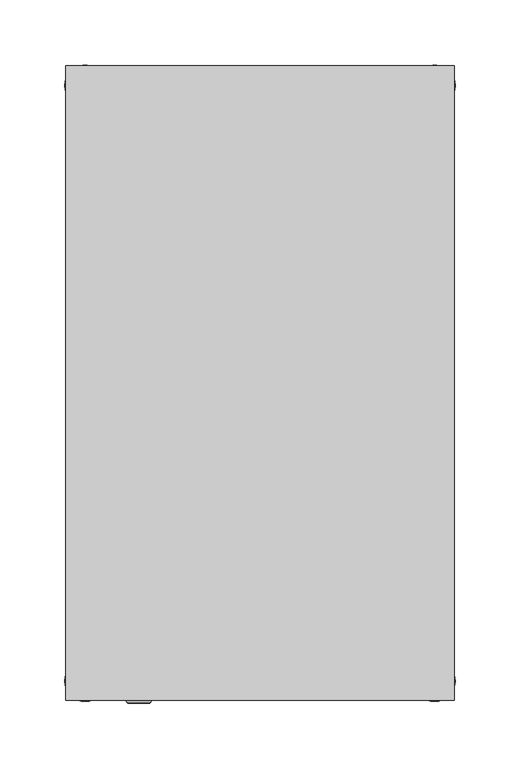
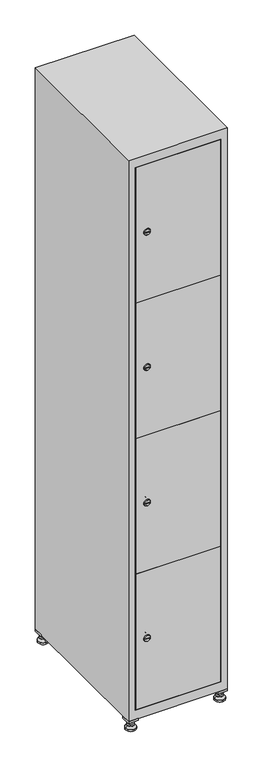
"""IFC4 building model written with IfcOpenShell, lengths in millimetres: furniture geometry."""

from ifc_helpers import new_model, si_unit, point, frame, frame_2d, origin, origin_with_axes, place, context, project, spatial, polyline, circle_curve, trimmed, segment, composite_curve, outline, extrude, faceted_brep, source, transform, mapped, element, save
from ifc_brep_helpers import plane_surface, revolved_surface, advanced_brep


def furniture_e6b07f04(model_context):
    return source(origin(), model_context, "Body", "SolidModel", [
        extrude(outline(polyline([(100.0, 245.0), (100.0, 215.0), (70.0, 215.0), (70.0, 245.0), (100.0, 245.0)]), holes=[polyline([(98.0, 243.0), (72.0, 243.0), (72.0, 217.0), (98.0, 217.0), (98.0, 243.0)])]), frame((0.0, 0.0, 28.5), z_axis=(0.0, 0.0, 1.0), x_axis=(1.0, 0.0, 0.0)), (0.0, 0.0, 1.0), 6.5),
        extrude(outline(polyline([(70.0, -245.0), (70.0, -215.0), (100.0, -215.0), (100.0, -245.0), (70.0, -245.0)]), holes=[polyline([(72.0, -243.0), (98.0, -243.0), (98.0, -217.0), (72.0, -217.0), (72.0, -243.0)])]), frame((0.0, 0.0, 28.5), z_axis=(0.0, 0.0, 1.0), x_axis=(1.0, 0.0, 0.0)), (0.0, 0.0, 1.0), 6.5),
        extrude(outline(polyline([(-170.0, 245.0), (-170.0, 215.0), (-200.0, 215.0), (-200.0, 245.0), (-170.0, 245.0)]), holes=[polyline([(-172.0, 243.0), (-198.0, 243.0), (-198.0, 217.0), (-172.0, 217.0), (-172.0, 243.0)])]), frame((0.0, 0.0, 28.5), z_axis=(0.0, 0.0, 1.0), x_axis=(1.0, 0.0, 0.0)), (0.0, 0.0, 1.0), 6.5),
        extrude(outline(polyline([(-170.0, -215.0), (-170.0, -245.0), (-200.0, -245.0), (-200.0, -215.0), (-170.0, -215.0)]), holes=[polyline([(-198.0, -243.0), (-172.0, -243.0), (-172.0, -217.0), (-198.0, -217.0), (-198.0, -243.0)])]), frame((0.0, 0.0, 28.5), z_axis=(0.0, 0.0, 1.0), x_axis=(1.0, 0.0, 0.0)), (0.0, 0.0, 1.0), 6.5),
        extrude(outline(composite_curve([segment(trimmed(circle_curve(frame_2d((-185.0, 230.0)), 5.0), [point((-180.0, 230.0))], [point((-190.0, 230.0))], False, "CARTESIAN"), True, "CONTINUOUS"), segment(trimmed(circle_curve(frame_2d((-185.0, 230.0)), 5.0), [point((-190.0, 230.0))], [point((-180.0, 230.0))], False, "CARTESIAN"), True, "CONTINUOUS")], self_intersect=False)), frame((0.0, 0.0, 19.6), z_axis=(0.0, 0.0, 1.0), x_axis=(1.0, 0.0, 0.0)), (0.0, 0.0, 1.0), 15.4),
        extrude(outline(composite_curve([segment(trimmed(circle_curve(frame_2d((-185.0, -230.0)), 5.0), [point((-180.0, -230.0))], [point((-190.0, -230.0))], False, "CARTESIAN"), True, "CONTINUOUS"), segment(trimmed(circle_curve(frame_2d((-185.0, -230.0)), 5.0), [point((-190.0, -230.0))], [point((-180.0, -230.0))], False, "CARTESIAN"), True, "CONTINUOUS")], self_intersect=False)), frame((0.0, 0.0, 19.6), z_axis=(0.0, 0.0, 1.0), x_axis=(1.0, 0.0, 0.0)), (0.0, 0.0, 1.0), 15.4),
        extrude(outline(composite_curve([segment(trimmed(circle_curve(frame_2d((85.0, 230.0)), 5.0), [point((90.0, 230.0))], [point((80.0, 230.0))], False, "CARTESIAN"), True, "CONTINUOUS"), segment(trimmed(circle_curve(frame_2d((85.0, 230.0)), 5.0), [point((80.0, 230.0))], [point((90.0, 230.0))], False, "CARTESIAN"), True, "CONTINUOUS")], self_intersect=False)), frame((0.0, 0.0, 19.6), z_axis=(0.0, 0.0, 1.0), x_axis=(1.0, 0.0, 0.0)), (0.0, 0.0, 1.0), 15.4),
        extrude(outline(polyline([(73.4529946, 230.0), (79.2264973, 240.0), (90.7735027, 240.0), (96.5470054, 230.0), (90.7735027, 220.0), (79.2264973, 220.0), (73.4529946, 230.0)])), frame((0.0, 0.0, 13.6), z_axis=(0.0, 0.0, 1.0), x_axis=(1.0, 0.0, 0.0)), (0.0, 0.0, 1.0), 6.0),
        extrude(outline(composite_curve([segment(trimmed(circle_curve(frame_2d((85.0, -230.0)), 5.0), [point((90.0, -230.0))], [point((80.0, -230.0))], False, "CARTESIAN"), True, "CONTINUOUS"), segment(trimmed(circle_curve(frame_2d((85.0, -230.0)), 5.0), [point((80.0, -230.0))], [point((90.0, -230.0))], False, "CARTESIAN"), True, "CONTINUOUS")], self_intersect=False)), frame((0.0, 0.0, 19.6), z_axis=(0.0, 0.0, 1.0), x_axis=(1.0, 0.0, 0.0)), (0.0, 0.0, 1.0), 15.4),
        extrude(outline(polyline([(73.4529946, -230.0), (79.2264973, -220.0), (90.7735027, -220.0), (96.5470054, -230.0), (90.7735027, -240.0), (79.2264973, -240.0), (73.4529946, -230.0)])), frame((0.0, 0.0, 13.6), z_axis=(0.0, 0.0, 1.0), x_axis=(1.0, 0.0, 0.0)), (0.0, 0.0, 1.0), 6.0),
        extrude(outline(composite_curve([segment(trimmed(circle_curve(frame_2d((85.0, 230.0)), 5.0), [point((90.0, 230.0))], [point((80.0, 230.0))], False, "CARTESIAN"), True, "CONTINUOUS"), segment(trimmed(circle_curve(frame_2d((85.0, 230.0)), 5.0), [point((80.0, 230.0))], [point((90.0, 230.0))], False, "CARTESIAN"), True, "CONTINUOUS")], self_intersect=False)), frame((0.0, 0.0, 12.1), z_axis=(0.0, 0.0, 1.0), x_axis=(1.0, 0.0, 0.0)), (0.0, 0.0, 1.0), 1.5),
        extrude(outline(composite_curve([segment(trimmed(circle_curve(frame_2d((85.0, -230.0)), 5.0), [point((90.0, -230.0))], [point((80.0, -230.0))], False, "CARTESIAN"), True, "CONTINUOUS"), segment(trimmed(circle_curve(frame_2d((85.0, -230.0)), 5.0), [point((80.0, -230.0))], [point((90.0, -230.0))], False, "CARTESIAN"), True, "CONTINUOUS")], self_intersect=False)), frame((0.0, 0.0, 12.1), z_axis=(0.0, 0.0, 1.0), x_axis=(1.0, 0.0, 0.0)), (0.0, 0.0, 1.0), 1.5),
        extrude(outline(polyline([(-196.5470054, 230.0), (-190.7735027, 240.0), (-179.2264973, 240.0), (-173.4529946, 230.0), (-179.2264973, 220.0), (-190.7735027, 220.0), (-196.5470054, 230.0)])), frame((0.0, 0.0, 13.6), z_axis=(0.0, 0.0, 1.0), x_axis=(1.0, 0.0, 0.0)), (0.0, 0.0, 1.0), 6.0),
        extrude(outline(polyline([(-196.5470054, -230.0), (-190.7735027, -220.0), (-179.2264973, -220.0), (-173.4529946, -230.0), (-179.2264973, -240.0), (-190.7735027, -240.0), (-196.5470054, -230.0)])), frame((0.0, 0.0, 13.6), z_axis=(0.0, 0.0, 1.0), x_axis=(1.0, 0.0, 0.0)), (0.0, 0.0, 1.0), 6.0),
        extrude(outline(composite_curve([segment(trimmed(circle_curve(frame_2d((-185.0, 230.0)), 5.0), [point((-185.0, 235.0))], [point((-185.0, 225.0))], False, "CARTESIAN"), True, "CONTINUOUS"), segment(trimmed(circle_curve(frame_2d((-185.0, 230.0)), 5.0), [point((-185.0, 225.0))], [point((-185.0, 235.0))], False, "CARTESIAN"), True, "CONTINUOUS")], self_intersect=False)), frame((0.0, 0.0, 12.1), z_axis=(0.0, 0.0, 1.0), x_axis=(1.0, 0.0, 0.0)), (0.0, 0.0, 1.0), 1.5),
        extrude(outline(composite_curve([segment(trimmed(circle_curve(frame_2d((-185.0, -230.0)), 5.0), [point((-180.0, -230.0))], [point((-190.0, -230.0))], False, "CARTESIAN"), True, "CONTINUOUS"), segment(trimmed(circle_curve(frame_2d((-185.0, -230.0)), 5.0), [point((-190.0, -230.0))], [point((-180.0, -230.0))], False, "CARTESIAN"), True, "CONTINUOUS")], self_intersect=False)), frame((0.0, 0.0, 12.1), z_axis=(0.0, 0.0, 1.0), x_axis=(1.0, 0.0, 0.0)), (0.0, 0.0, 1.0), 1.5),
        extrude(outline(composite_curve([segment(trimmed(circle_curve(frame_2d((85.0, 230.0)), 15.75), [point((100.75, 230.0))], [point((69.25, 230.0))], False, "CARTESIAN"), True, "CONTINUOUS"), segment(trimmed(circle_curve(frame_2d((85.0, 230.0)), 15.75), [point((69.25, 230.0))], [point((100.75, 230.0))], False, "CARTESIAN"), True, "CONTINUOUS")], self_intersect=False)), origin_with_axes(), (0.0, 0.0, 1.0), 5.1),
        extrude(outline(composite_curve([segment(trimmed(circle_curve(frame_2d((85.0, -230.0)), 15.75), [point((85.0, -214.25))], [point((85.0, -245.75))], False, "CARTESIAN"), True, "CONTINUOUS"), segment(trimmed(circle_curve(frame_2d((85.0, -230.0)), 15.75), [point((85.0, -245.75))], [point((85.0, -214.25))], False, "CARTESIAN"), True, "CONTINUOUS")], self_intersect=False)), origin_with_axes(), (0.0, 0.0, 1.0), 5.1),
        extrude(outline(composite_curve([segment(trimmed(circle_curve(frame_2d((-185.0, -230.0)), 15.75), [point((-169.25, -230.0))], [point((-200.75, -230.0))], False, "CARTESIAN"), True, "CONTINUOUS"), segment(trimmed(circle_curve(frame_2d((-185.0, -230.0)), 15.75), [point((-200.75, -230.0))], [point((-169.25, -230.0))], False, "CARTESIAN"), True, "CONTINUOUS")], self_intersect=False)), origin_with_axes(), (0.0, 0.0, 1.0), 5.1),
        extrude(outline(composite_curve([segment(trimmed(circle_curve(frame_2d((-185.0, 230.0)), 15.75), [point((-169.25, 230.0))], [point((-200.75, 230.0))], False, "CARTESIAN"), True, "CONTINUOUS"), segment(trimmed(circle_curve(frame_2d((-185.0, 230.0)), 15.75), [point((-200.75, 230.0))], [point((-169.25, 230.0))], False, "CARTESIAN"), True, "CONTINUOUS")], self_intersect=False)), origin_with_axes(), (0.0, 0.0, 1.0), 5.1),
        advanced_brep(
        [(-185.0, 245.75, 5.1), (-185.0, 214.25, 5.1), (-185.0, 239.5, 12.1), (-185.0, 220.5, 12.1)],
        [
            (0, 1, circle_curve(frame((-185.0, 230.0, 5.1), z_axis=(0.0, 0.0, -1.0), x_axis=(0.0, 1.0, 0.0)), 15.75)),
            (1, 0, circle_curve(frame((-185.0, 230.0, 5.1), z_axis=(0.0, 0.0, -1.0), x_axis=(0.0, -1.0, 0.0)), 15.75)),
            (2, 3, circle_curve(frame((-185.0, 230.0, 12.1), z_axis=(0.0, 0.0, 1.0), x_axis=(0.0, -1.0, 0.0)), 9.5)),
            (3, 2, circle_curve(frame((-185.0, 230.0, 12.1), z_axis=(0.0, 0.0, 1.0), x_axis=(0.0, 1.0, 0.0)), 9.5)),
            (3, 1),
            (0, 2),
        ],
        [
            plane_surface(frame((-185.0, 230.0, 5.1), z_axis=(0.0, 0.0, -1.0), x_axis=(1.0, 0.0, 0.0))),
            plane_surface(frame((-185.0, 230.0, 12.1), z_axis=(0.0, 0.0, 1.0), x_axis=(1.0, 0.0, 0.0))),
            revolved_surface(polyline([(-185.0, 220.5, 12.099999999999998), (-185.0, 214.25, 5.099999999999998)]), (-185.0, 230.0, 22.74), (0.0, 0.0, -1.0)),
            revolved_surface(polyline([(-185.0, 239.5, 12.099999999999998), (-185.0, 245.75, 5.099999999999998)]), (-185.0, 230.0, 22.74), (0.0, 0.0, -1.0)),
        ],
        [
            (0, [[1, 2]]),
            (1, [[3, 4]]),
            (2, [[-4, 5, -1, 6]]),
            (3, [[-3, -6, -2, -5]]),
        ],
    ),
        advanced_brep(
        [(85.0, 245.75, 5.1), (85.0, 214.25, 5.1), (85.0, 239.5, 12.1), (85.0, 220.5, 12.1)],
        [
            (0, 1, circle_curve(frame((85.0, 230.0, 5.1), z_axis=(0.0, 0.0, -1.0), x_axis=(0.0, 1.0, 0.0)), 15.75)),
            (1, 0, circle_curve(frame((85.0, 230.0, 5.1), z_axis=(0.0, 0.0, -1.0), x_axis=(0.0, -1.0, 0.0)), 15.75)),
            (2, 3, circle_curve(frame((85.0, 230.0, 12.1), z_axis=(0.0, 0.0, 1.0), x_axis=(0.0, -1.0, 0.0)), 9.5)),
            (3, 2, circle_curve(frame((85.0, 230.0, 12.1), z_axis=(0.0, 0.0, 1.0), x_axis=(0.0, 1.0, 0.0)), 9.5)),
            (3, 1),
            (0, 2),
        ],
        [
            plane_surface(frame((85.0, 230.0, 5.1), z_axis=(0.0, 0.0, -1.0), x_axis=(1.0, 0.0, 0.0))),
            plane_surface(frame((85.0, 230.0, 12.1), z_axis=(0.0, 0.0, 1.0), x_axis=(1.0, 0.0, 0.0))),
            revolved_surface(polyline([(85.0, 220.5, 12.099999999999998), (85.0, 214.25, 5.099999999999998)]), (85.0, 230.0, 22.74), (0.0, 0.0, -1.0)),
            revolved_surface(polyline([(85.0, 239.5, 12.099999999999998), (85.0, 245.75, 5.099999999999998)]), (85.0, 230.0, 22.74), (0.0, 0.0, -1.0)),
        ],
        [
            (0, [[1, 2]]),
            (1, [[3, 4]]),
            (2, [[-4, 5, -1, 6]]),
            (3, [[-3, -6, -2, -5]]),
        ],
    ),
        advanced_brep(
        [(94.5, -230.0, 12.1), (75.5, -230.0, 12.1), (100.75, -230.0, 5.1), (69.25, -230.0, 5.1)],
        [
            (0, 1, circle_curve(frame((85.0, -230.0, 12.1), z_axis=(0.0, 0.0, 1.0), x_axis=(1.0, 0.0, 0.0)), 9.5)),
            (1, 0, circle_curve(frame((85.0, -230.0, 12.1), z_axis=(0.0, 0.0, 1.0), x_axis=(-1.0, 0.0, 0.0)), 9.5)),
            (2, 3, circle_curve(frame((85.0, -230.0, 5.1), z_axis=(0.0, 0.0, -1.0), x_axis=(-1.0, 0.0, 0.0)), 15.75)),
            (3, 2, circle_curve(frame((85.0, -230.0, 5.1), z_axis=(0.0, 0.0, -1.0), x_axis=(1.0, 0.0, 0.0)), 15.75)),
            (3, 1),
            (0, 2),
        ],
        [
            plane_surface(frame((85.0, -230.0, 12.1), z_axis=(0.0, 0.0, 1.0), x_axis=(0.0, 1.0, 0.0))),
            plane_surface(frame((85.0, -230.0, 5.1), z_axis=(0.0, 0.0, -1.0), x_axis=(0.0, 1.0, 0.0))),
            revolved_surface(polyline([(94.5, -230.0, 12.099999999999998), (100.75, -230.0, 5.099999999999998)]), (85.0, -230.0, 22.74), (0.0, 0.0, -1.0)),
            revolved_surface(polyline([(75.5, -230.0, 12.099999999999998), (69.25, -230.0, 5.099999999999998)]), (85.0, -230.0, 22.74), (0.0, 0.0, -1.0)),
        ],
        [
            (0, [[1, 2]]),
            (1, [[3, 4]]),
            (2, [[-4, 5, -1, 6]]),
            (3, [[-3, -6, -2, -5]]),
        ],
    ),
        advanced_brep(
        [(-175.5, -230.0, 12.1), (-194.5, -230.0, 12.1), (-169.25, -230.0, 5.1), (-200.75, -230.0, 5.1)],
        [
            (0, 1, circle_curve(frame((-185.0, -230.0, 12.1), z_axis=(0.0, 0.0, 1.0), x_axis=(1.0, 0.0, 0.0)), 9.5)),
            (1, 0, circle_curve(frame((-185.0, -230.0, 12.1), z_axis=(0.0, 0.0, 1.0), x_axis=(-1.0, 0.0, 0.0)), 9.5)),
            (2, 3, circle_curve(frame((-185.0, -230.0, 5.1), z_axis=(0.0, 0.0, -1.0), x_axis=(-1.0, 0.0, 0.0)), 15.75)),
            (3, 2, circle_curve(frame((-185.0, -230.0, 5.1), z_axis=(0.0, 0.0, -1.0), x_axis=(1.0, 0.0, 0.0)), 15.75)),
            (3, 1),
            (0, 2),
        ],
        [
            plane_surface(frame((-185.0, -230.0, 12.1), z_axis=(0.0, 0.0, 1.0), x_axis=(0.0, 1.0, 0.0))),
            plane_surface(frame((-185.0, -230.0, 5.1), z_axis=(0.0, 0.0, -1.0), x_axis=(0.0, 1.0, 0.0))),
            revolved_surface(polyline([(-175.5, -230.0, 12.099999999999998), (-169.25, -230.0, 5.099999999999998)]), (-185.0, -230.0, 22.74), (0.0, 0.0, -1.0)),
            revolved_surface(polyline([(-194.5, -230.0, 12.099999999999998), (-200.75, -230.0, 5.099999999999998)]), (-185.0, -230.0, 22.74), (0.0, 0.0, -1.0)),
        ],
        [
            (0, [[1, 2]]),
            (1, [[3, 4]]),
            (2, [[-4, 5, -1, 6]]),
            (3, [[-3, -6, -2, -5]]),
        ],
    ),
        extrude(outline(composite_curve([segment(trimmed(circle_curve(frame_2d((283.4, -170.3989466)), 7.0), [point((290.4, -170.3989466))], [point((276.4, -170.3989466))], False, "CARTESIAN"), True, "CONTINUOUS"), segment(polyline([(276.4, -170.3989466), (276.4, -142.3989466)]), True, "CONTINUOUS"), segment(trimmed(circle_curve(frame_2d((283.4, -142.3989466)), 7.0), [point((276.4, -142.3989466))], [point((290.4, -142.3989466))], False, "CARTESIAN"), True, "CONTINUOUS"), segment(polyline([(290.4, -142.3989466), (290.4, -170.3989466)]), True, "CONTINUOUS")], self_intersect=False)), frame((0.0, -227.0, 0.0), z_axis=(0.0, 1.0, 0.0), x_axis=(0.0, 0.0, 1.0)), (0.0, 0.0, 1.0), 2.0),
        advanced_brep(
        [(-135.1, -247.2, 283.4), (-152.1, -247.2, 283.4), (-148.6, -247.2, 282.15), (-148.6, -247.2, 284.65), (-138.6, -247.2, 284.65), (-138.6, -247.2, 282.15), (-133.1, -245.0, 283.4), (-154.1, -245.0, 283.4), (-148.6, -245.0, 284.65), (-148.6, -245.0, 282.15), (-138.6, -245.0, 282.15), (-138.6, -245.0, 284.65)],
        [
            (0, 1, circle_curve(frame((-143.6, -247.2, 283.4), z_axis=(0.0, -1.0, 0.0), x_axis=(1.0, 0.0, 0.0)), 8.5)),
            (1, 0, circle_curve(frame((-143.6, -247.2, 283.4), z_axis=(0.0, -1.0, 0.0), x_axis=(-1.0, 0.0, 0.0)), 8.5)),
            (2, 3),
            (3, 4),
            (4, 5),
            (5, 2),
            (6, 7, circle_curve(frame((-143.6, -245.0, 283.4), z_axis=(0.0, 1.0, 0.0), x_axis=(-1.0, 0.0, 0.0)), 10.5)),
            (7, 6, circle_curve(frame((-143.6, -245.0, 283.4), z_axis=(0.0, 1.0, 0.0), x_axis=(1.0, 0.0, 0.0)), 10.5)),
            (8, 9),
            (9, 10),
            (10, 11),
            (11, 8),
            (0, 6),
            (7, 1),
            (8, 3),
            (2, 9),
            (11, 4),
            (10, 5),
        ],
        [
            plane_surface(frame((-143.6, -247.2, 283.4), z_axis=(0.0, -1.0, 0.0), x_axis=(0.0, 0.0, 1.0))),
            plane_surface(frame((-143.6, -245.0, 283.4), z_axis=(0.0, 1.0, 0.0), x_axis=(0.0, 0.0, 1.0))),
            revolved_surface(polyline([(-135.1, -247.2, 283.4), (-133.1, -245.0, 283.4)]), (-143.6, -256.55, 283.4), (0.0, 1.0, 0.0)),
            revolved_surface(polyline([(-152.1, -247.2, 283.4), (-154.1, -245.0, 283.4)]), (-143.6, -256.55, 283.4), (0.0, 1.0, 0.0)),
            plane_surface(frame((-148.6, -245.0, 282.15), z_axis=(1.0, 0.0, 0.0), x_axis=(0.0, -1.0, 0.0))),
            plane_surface(frame((-148.6, -245.0, 284.65), z_axis=(0.0, 0.0, -1.0), x_axis=(0.0, -1.0, 0.0))),
            plane_surface(frame((-138.6, -245.0, 284.65), z_axis=(-1.0, 0.0, 0.0), x_axis=(0.0, -1.0, 0.0))),
            plane_surface(frame((-138.6, -245.0, 282.15), z_axis=(0.0, 0.0, 1.0), x_axis=(0.0, -1.0, 0.0))),
        ],
        [
            (0, [[1, 2], [3, 4, 5, 6]]),
            (1, [[7, 8], [9, 10, 11, 12]]),
            (2, [[-1, 13, -8, 14]]),
            (3, [[-2, -14, -7, -13]]),
            (4, [[15, -3, 16, -9]]),
            (5, [[-15, -12, 17, -4]]),
            (6, [[-17, -11, 18, -5]]),
            (7, [[-16, -6, -18, -10]]),
        ],
    ),
        extrude(outline(composite_curve([segment(trimmed(circle_curve(frame_2d((717.8, -170.3989466)), 7.0), [point((724.8, -170.3989466))], [point((710.8, -170.3989466))], False, "CARTESIAN"), True, "CONTINUOUS"), segment(polyline([(710.8, -170.3989466), (710.8, -142.3989466)]), True, "CONTINUOUS"), segment(trimmed(circle_curve(frame_2d((717.8, -142.3989466)), 7.0), [point((710.8, -142.3989466))], [point((724.8, -142.3989466))], False, "CARTESIAN"), True, "CONTINUOUS"), segment(polyline([(724.8, -142.3989466), (724.8, -170.3989466)]), True, "CONTINUOUS")], self_intersect=False)), frame((0.0, -227.0, 0.0), z_axis=(0.0, 1.0, 0.0), x_axis=(0.0, 0.0, 1.0)), (0.0, 0.0, 1.0), 2.0),
        advanced_brep(
        [(-135.1, -247.2, 717.8), (-152.1, -247.2, 717.8), (-148.6, -247.2, 716.55), (-148.6, -247.2, 719.05), (-138.6, -247.2, 719.05), (-138.6, -247.2, 716.55), (-133.1, -245.0, 717.8), (-154.1, -245.0, 717.8), (-148.6, -245.0, 719.05), (-148.6, -245.0, 716.55), (-138.6, -245.0, 716.55), (-138.6, -245.0, 719.05)],
        [
            (0, 1, circle_curve(frame((-143.6, -247.2, 717.8), z_axis=(0.0, -1.0, 0.0), x_axis=(1.0, 0.0, 0.0)), 8.5)),
            (1, 0, circle_curve(frame((-143.6, -247.2, 717.8), z_axis=(0.0, -1.0, 0.0), x_axis=(-1.0, 0.0, 0.0)), 8.5)),
            (2, 3),
            (3, 4),
            (4, 5),
            (5, 2),
            (6, 7, circle_curve(frame((-143.6, -245.0, 717.8), z_axis=(0.0, 1.0, 0.0), x_axis=(-1.0, 0.0, 0.0)), 10.5)),
            (7, 6, circle_curve(frame((-143.6, -245.0, 717.8), z_axis=(0.0, 1.0, 0.0), x_axis=(1.0, 0.0, 0.0)), 10.5)),
            (8, 9),
            (9, 10),
            (10, 11),
            (11, 8),
            (0, 6),
            (7, 1),
            (8, 3),
            (2, 9),
            (11, 4),
            (10, 5),
        ],
        [
            plane_surface(frame((-143.6, -247.2, 717.8), z_axis=(0.0, -1.0, 0.0), x_axis=(0.0, 0.0, 1.0))),
            plane_surface(frame((-143.6, -245.0, 717.8), z_axis=(0.0, 1.0, 0.0), x_axis=(0.0, 0.0, 1.0))),
            revolved_surface(polyline([(-135.1, -247.2, 717.8), (-133.1, -245.0, 717.8)]), (-143.6, -256.55, 717.8), (0.0, 1.0, 0.0)),
            revolved_surface(polyline([(-152.1, -247.2, 717.8), (-154.1, -245.0, 717.8)]), (-143.6, -256.55, 717.8), (0.0, 1.0, 0.0)),
            plane_surface(frame((-148.6, -245.0, 716.55), z_axis=(1.0, 0.0, 0.0), x_axis=(0.0, -1.0, 0.0))),
            plane_surface(frame((-148.6, -245.0, 719.05), z_axis=(0.0, 0.0, -1.0), x_axis=(0.0, -1.0, 0.0))),
            plane_surface(frame((-138.6, -245.0, 719.05), z_axis=(-1.0, 0.0, 0.0), x_axis=(0.0, -1.0, 0.0))),
            plane_surface(frame((-138.6, -245.0, 716.55), z_axis=(0.0, 0.0, 1.0), x_axis=(0.0, -1.0, 0.0))),
        ],
        [
            (0, [[1, 2], [3, 4, 5, 6]]),
            (1, [[7, 8], [9, 10, 11, 12]]),
            (2, [[-1, 13, -8, 14]]),
            (3, [[-2, -14, -7, -13]]),
            (4, [[15, -3, 16, -9]]),
            (5, [[-15, -12, 17, -4]]),
            (6, [[-17, -11, 18, -5]]),
            (7, [[-16, -6, -18, -10]]),
        ],
    ),
        extrude(outline(composite_curve([segment(trimmed(circle_curve(frame_2d((1152.2, -170.3989466)), 7.0), [point((1159.2, -170.3989466))], [point((1145.2, -170.3989466))], False, "CARTESIAN"), True, "CONTINUOUS"), segment(polyline([(1145.2, -170.3989466), (1145.2, -142.3989466)]), True, "CONTINUOUS"), segment(trimmed(circle_curve(frame_2d((1152.2, -142.3989466)), 7.0), [point((1145.2, -142.3989466))], [point((1159.2, -142.3989466))], False, "CARTESIAN"), True, "CONTINUOUS"), segment(polyline([(1159.2, -142.3989466), (1159.2, -170.3989466)]), True, "CONTINUOUS")], self_intersect=False)), frame((0.0, -227.0, 0.0), z_axis=(0.0, 1.0, 0.0), x_axis=(0.0, 0.0, 1.0)), (0.0, 0.0, 1.0), 2.0),
        advanced_brep(
        [(-135.1, -247.2, 1152.2), (-152.1, -247.2, 1152.2), (-148.6, -247.2, 1150.95), (-148.6, -247.2, 1153.45), (-138.6, -247.2, 1153.45), (-138.6, -247.2, 1150.95), (-133.1, -245.0, 1152.2), (-154.1, -245.0, 1152.2), (-148.6, -245.0, 1153.45), (-148.6, -245.0, 1150.95), (-138.6, -245.0, 1150.95), (-138.6, -245.0, 1153.45)],
        [
            (0, 1, circle_curve(frame((-143.6, -247.2, 1152.2), z_axis=(0.0, -1.0, 0.0), x_axis=(1.0, 0.0, 0.0)), 8.5)),
            (1, 0, circle_curve(frame((-143.6, -247.2, 1152.2), z_axis=(0.0, -1.0, 0.0), x_axis=(-1.0, 0.0, 0.0)), 8.5)),
            (2, 3),
            (3, 4),
            (4, 5),
            (5, 2),
            (6, 7, circle_curve(frame((-143.6, -245.0, 1152.2), z_axis=(0.0, 1.0, 0.0), x_axis=(-1.0, 0.0, 0.0)), 10.5)),
            (7, 6, circle_curve(frame((-143.6, -245.0, 1152.2), z_axis=(0.0, 1.0, 0.0), x_axis=(1.0, 0.0, 0.0)), 10.5)),
            (8, 9),
            (9, 10),
            (10, 11),
            (11, 8),
            (0, 6),
            (7, 1),
            (8, 3),
            (2, 9),
            (11, 4),
            (10, 5),
        ],
        [
            plane_surface(frame((-143.6, -247.2, 1152.2), z_axis=(0.0, -1.0, 0.0), x_axis=(0.0, 0.0, 1.0))),
            plane_surface(frame((-143.6, -245.0, 1152.2), z_axis=(0.0, 1.0, 0.0), x_axis=(0.0, 0.0, 1.0))),
            revolved_surface(polyline([(-135.1, -247.2, 1152.2), (-133.1, -245.0, 1152.2)]), (-143.6, -256.55, 1152.2), (0.0, 1.0, 0.0)),
            revolved_surface(polyline([(-152.1, -247.2, 1152.2), (-154.1, -245.0, 1152.2)]), (-143.6, -256.55, 1152.2), (0.0, 1.0, 0.0)),
            plane_surface(frame((-148.6, -245.0, 1150.95), z_axis=(1.0, 0.0, 0.0), x_axis=(0.0, -1.0, 0.0))),
            plane_surface(frame((-148.6, -245.0, 1153.45), z_axis=(0.0, 0.0, -1.0), x_axis=(0.0, -1.0, 0.0))),
            plane_surface(frame((-138.6, -245.0, 1153.45), z_axis=(-1.0, 0.0, 0.0), x_axis=(0.0, -1.0, 0.0))),
            plane_surface(frame((-138.6, -245.0, 1150.95), z_axis=(0.0, 0.0, 1.0), x_axis=(0.0, -1.0, 0.0))),
        ],
        [
            (0, [[1, 2], [3, 4, 5, 6]]),
            (1, [[7, 8], [9, 10, 11, 12]]),
            (2, [[-1, 13, -8, 14]]),
            (3, [[-2, -14, -7, -13]]),
            (4, [[15, -3, 16, -9]]),
            (5, [[-15, -12, 17, -4]]),
            (6, [[-17, -11, 18, -5]]),
            (7, [[-16, -6, -18, -10]]),
        ],
    ),
        extrude(outline(composite_curve([segment(trimmed(circle_curve(frame_2d((1586.6, -170.3989466)), 7.0), [point((1593.6, -170.3989466))], [point((1579.6, -170.3989466))], False, "CARTESIAN"), True, "CONTINUOUS"), segment(polyline([(1579.6, -170.3989466), (1579.6, -142.3989466)]), True, "CONTINUOUS"), segment(trimmed(circle_curve(frame_2d((1586.6, -142.3989466)), 7.0), [point((1579.6, -142.3989466))], [point((1593.6, -142.3989466))], False, "CARTESIAN"), True, "CONTINUOUS"), segment(polyline([(1593.6, -142.3989466), (1593.6, -170.3989466)]), True, "CONTINUOUS")], self_intersect=False)), frame((0.0, -227.0, 0.0), z_axis=(0.0, 1.0, 0.0), x_axis=(0.0, 0.0, 1.0)), (0.0, 0.0, 1.0), 2.0),
        advanced_brep(
        [(-135.1, -247.2, 1586.6), (-152.1, -247.2, 1586.6), (-148.6, -247.2, 1585.35), (-148.6, -247.2, 1587.85), (-138.6, -247.2, 1587.85), (-138.6, -247.2, 1585.35), (-133.1, -245.0, 1586.6), (-154.1, -245.0, 1586.6), (-148.6, -245.0, 1587.85), (-148.6, -245.0, 1585.35), (-138.6, -245.0, 1585.35), (-138.6, -245.0, 1587.85)],
        [
            (0, 1, circle_curve(frame((-143.6, -247.2, 1586.6), z_axis=(0.0, -1.0, 0.0), x_axis=(1.0, 0.0, 0.0)), 8.5)),
            (1, 0, circle_curve(frame((-143.6, -247.2, 1586.6), z_axis=(0.0, -1.0, 0.0), x_axis=(-1.0, 0.0, 0.0)), 8.5)),
            (2, 3),
            (3, 4),
            (4, 5),
            (5, 2),
            (6, 7, circle_curve(frame((-143.6, -245.0, 1586.6), z_axis=(0.0, 1.0, 0.0), x_axis=(-1.0, 0.0, 0.0)), 10.5)),
            (7, 6, circle_curve(frame((-143.6, -245.0, 1586.6), z_axis=(0.0, 1.0, 0.0), x_axis=(1.0, 0.0, 0.0)), 10.5)),
            (8, 9),
            (9, 10),
            (10, 11),
            (11, 8),
            (0, 6),
            (7, 1),
            (8, 3),
            (2, 9),
            (11, 4),
            (10, 5),
        ],
        [
            plane_surface(frame((-143.6, -247.2, 1586.6), z_axis=(0.0, -1.0, 0.0), x_axis=(0.0, 0.0, 1.0))),
            plane_surface(frame((-143.6, -245.0, 1586.6), z_axis=(0.0, 1.0, 0.0), x_axis=(0.0, 0.0, 1.0))),
            revolved_surface(polyline([(-135.1, -247.2, 1586.6), (-133.1, -245.0, 1586.6)]), (-143.6, -256.55, 1586.6), (0.0, 1.0, 0.0)),
            revolved_surface(polyline([(-152.1, -247.2, 1586.6), (-154.1, -245.0, 1586.6)]), (-143.6, -256.55, 1586.6), (0.0, 1.0, 0.0)),
            plane_surface(frame((-148.6, -245.0, 1585.35), z_axis=(1.0, 0.0, 0.0), x_axis=(0.0, -1.0, 0.0))),
            plane_surface(frame((-148.6, -245.0, 1587.85), z_axis=(0.0, 0.0, -1.0), x_axis=(0.0, -1.0, 0.0))),
            plane_surface(frame((-138.6, -245.0, 1587.85), z_axis=(-1.0, 0.0, 0.0), x_axis=(0.0, -1.0, 0.0))),
            plane_surface(frame((-138.6, -245.0, 1585.35), z_axis=(0.0, 0.0, 1.0), x_axis=(0.0, -1.0, 0.0))),
        ],
        [
            (0, [[1, 2], [3, 4, 5, 6]]),
            (1, [[7, 8], [9, 10, 11, 12]]),
            (2, [[-1, 13, -8, 14]]),
            (3, [[-2, -14, -7, -13]]),
            (4, [[15, -3, 16, -9]]),
            (5, [[-15, -12, 17, -4]]),
            (6, [[-17, -11, 18, -5]]),
            (7, [[-16, -6, -18, -10]]),
        ],
    ),
        extrude(outline(polyline([(78.6, -227.0), (78.6, -245.0), (-178.6, -245.0), (-178.6, -227.0), (78.6, -227.0)])), frame((0.0, 0.0, 500.1), z_axis=(0.0, 0.0, 1.0), x_axis=(1.0, 0.0, 0.0)), (0.0, 0.0, 1.0), 434.4),
        extrude(outline(polyline([(78.6, -227.0), (78.6, -245.0), (-178.6, -245.0), (-178.6, -227.0), (78.6, -227.0)])), frame((0.0, 0.0, 935.5), z_axis=(0.0, 0.0, 1.0), x_axis=(1.0, 0.0, 0.0)), (0.0, 0.0, 1.0), 433.4),
        extrude(outline(polyline([(-178.6, -245.0), (-178.6, -227.0), (78.6, -227.0), (78.6, -245.0), (-178.6, -245.0)])), frame((0.0, 0.0, 1369.9), z_axis=(0.0, 0.0, 1.0), x_axis=(1.0, 0.0, 0.0)), (0.0, 0.0, 1.0), 433.9),
        extrude(outline(polyline([(78.6, -227.0), (78.6, -245.0), (-178.6, -245.0), (-178.6, -227.0), (78.6, -227.0)])), frame((0.0, 0.0, 66.2), z_axis=(0.0, 0.0, 1.0), x_axis=(1.0, 0.0, 0.0)), (0.0, 0.0, 1.0), 434.9),
        extrude(outline(polyline([(79.6, 242.0), (79.6, -227.0), (-179.6, -227.0), (-179.6, 242.0), (79.6, 242.0)])), frame((0.0, 0.0, 1359.7), z_axis=(0.0, 0.0, 1.0), x_axis=(1.0, 0.0, 0.0)), (0.0, 0.0, 1.0), 20.4),
        extrude(outline(polyline([(79.6, 242.0), (79.6, -227.0), (-179.6, -227.0), (-179.6, 242.0), (79.6, 242.0)])), frame((0.0, 0.0, 924.8), z_axis=(0.0, 0.0, 1.0), x_axis=(1.0, 0.0, 0.0)), (0.0, 0.0, 1.0), 20.4),
        extrude(outline(polyline([(79.6, 242.0), (79.6, -227.0), (-179.6, -227.0), (-179.6, 242.0), (79.6, 242.0)])), frame((0.0, 0.0, 489.9), z_axis=(0.0, 0.0, 1.0), x_axis=(1.0, 0.0, 0.0)), (0.0, 0.0, 1.0), 20.4),
        faceted_brep([(100.0, -245.0, 35.0), (100.0, -245.0, 1835.0), (-200.0, -245.0, 1835.0), (-200.0, -245.0, 35.0), (79.6, -245.0, 1804.8), (79.6, -245.0, 65.2), (-179.6, -245.0, 65.2), (-179.6, -245.0, 1804.8), (100.0, 245.0, 35.0), (-200.0, 245.0, 35.0), (100.0, 245.0, 1835.0), (-200.0, 245.0, 1835.0), (79.6, 242.0, 1804.8), (79.6, 242.0, 65.2), (-200.0, 245.0, 1804.8), (-179.6, 242.0, 1804.8), (-179.6, 242.0, 65.2)], [[[0, 1, 2, 3], [4, 5, 6, 7]], [[8, 0, 3, 9]], [[1, 0, 8, 10]], [[1, 10, 11, 2]], [[4, 12, 13, 5]], [[9, 3, 2, 11, 14]], [[10, 8, 9, 14, 11]], [[12, 15, 16, 13]], [[15, 7, 6, 16]], [[4, 7, 15, 12]], [[6, 5, 13, 16]]]),
    ])


if __name__ == "__main__":
    model = new_model("IFC4")
    model_context = context("Model", 3, world=origin())
    ifc_project = project(units=[si_unit("LENGTHUNIT", "METRE", prefix="MILLI")], contexts=[model_context])
    site = spatial("IfcSite", under=ifc_project)
    building = spatial("IfcBuilding", under=site)
    placement = place(None, origin())
    furniture_shape = furniture_e6b07f04(model_context)
    element("IfcFurniture", 1, at=placement, inside=building, context=model_context, shape_type="MappedRepresentation", body=[
        mapped(furniture_shape, transform((0.0, 0.0, 0.0), x_axis=(1.0, 0.0, 0.0), y_axis=(0.0, 1.0, 0.0), z_axis=(0.0, 0.0, 1.0))),
    ])
    save(model, "model.ifc")
